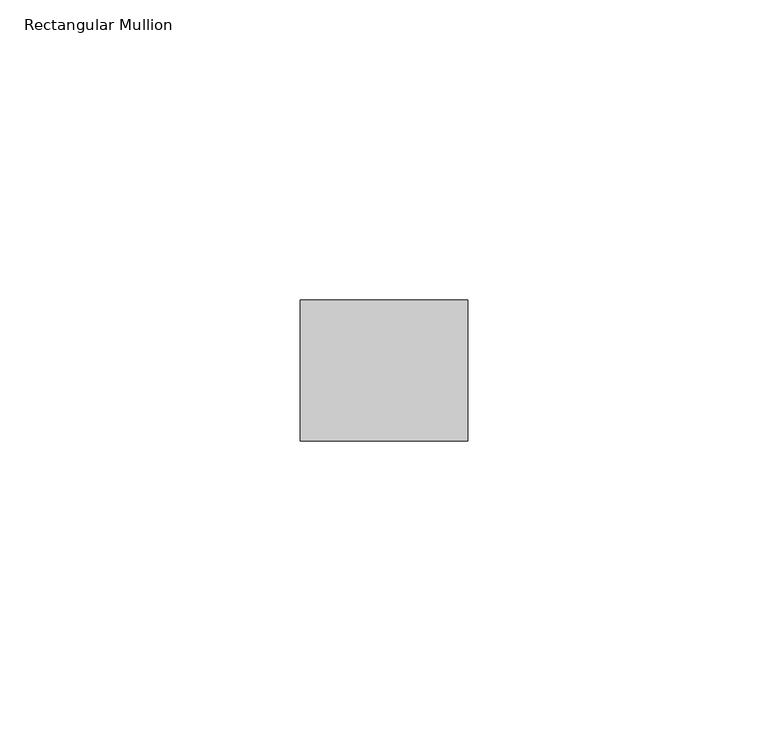
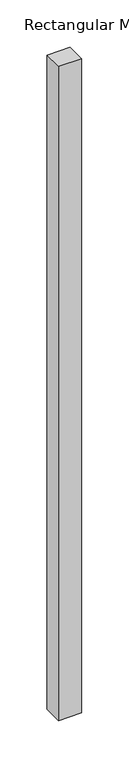
"""IFC4 building model written with IfcOpenShell, lengths in millimetres: member geometry, Rectangular Mullion."""

from ifc_helpers import new_model, si_unit, frame, origin, place, context, project, spatial, polyline, outline, extrude, source, transform, mapped, element, save


def rectangular_mullion_76609dae(model_context):
    return source(origin(), model_context, "Body", "SweptSolid", [
        extrude(outline(polyline([(0.0, -11.7474999), (-27.94, -11.7474999), (-27.94, 11.7474999), (0.0, 11.7474999), (0.0, -11.7474999)])), frame((0.0, 0.0, -841.7123631), z_axis=(0.0, 0.0, 1.0), x_axis=(1.0, 0.0, 0.0)), (0.0, 0.0, 1.0), 841.7123631),
    ])


if __name__ == "__main__":
    model = new_model("IFC4")
    model_context = context("Model", 3, world=origin())
    ifc_project = project(units=[si_unit("LENGTHUNIT", "METRE", prefix="MILLI")], contexts=[model_context])
    site = spatial("IfcSite", under=ifc_project)
    building = spatial("IfcBuilding", under=site)
    placement = place(None, origin())
    rectangular_mullion_shape = rectangular_mullion_76609dae(model_context)
    element("IfcMember", 1, ObjectType="Rectangular Mullion", at=placement, inside=building, context=model_context, shape_type="MappedRepresentation", body=[
        mapped(rectangular_mullion_shape, transform((0.0, 0.0, 0.0), x_axis=(1.0, 0.0, 0.0), y_axis=(0.0, 1.0, 0.0), z_axis=(0.0, 0.0, 1.0))),
    ])
    save(model, "model.ifc")
